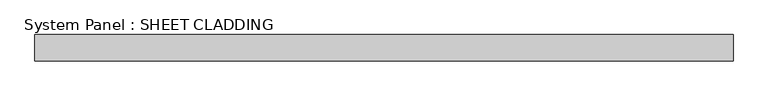
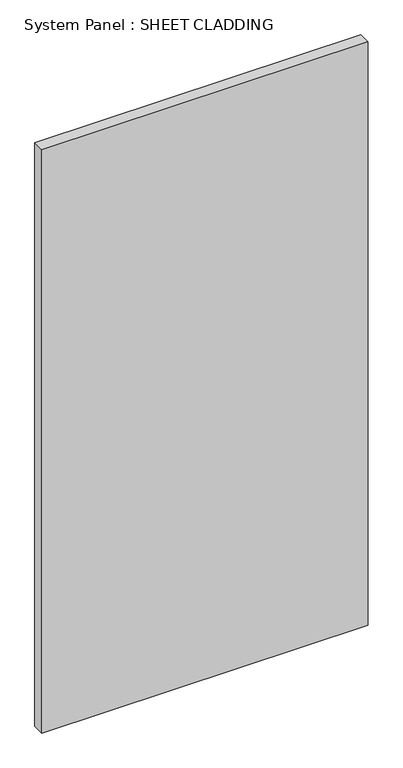
"""IFC4 building model written with IfcOpenShell, lengths in millimetres: plate geometry, System Panel : SHEET CLADDING."""

from ifc_helpers import new_model, si_unit, origin, origin_with_axes, place, context, project, spatial, polyline, outline, extrude, source, transform, mapped, element, save


def system_panel_sheet_cladding_6d0dae46(model_context):
    return source(origin(), model_context, "Body", "SweptSolid", [
        extrude(outline(polyline([(802.0833333, -10.5), (-802.0833333, -10.5), (-802.0833333, 49.5), (802.0833333, 49.5), (802.0833333, -10.5)])), origin_with_axes(), (0.0, 0.0, 1.0), 3031.35),
    ])


if __name__ == "__main__":
    model = new_model("IFC4")
    model_context = context("Model", 3, world=origin())
    ifc_project = project(units=[si_unit("LENGTHUNIT", "METRE", prefix="MILLI")], contexts=[model_context])
    site = spatial("IfcSite", under=ifc_project)
    building = spatial("IfcBuilding", under=site)
    placement = place(None, origin())
    system_panel_sheet_cladding_shape = system_panel_sheet_cladding_6d0dae46(model_context)
    element("IfcPlate", 1, ObjectType="System Panel : SHEET CLADDING", at=placement, inside=building, context=model_context, shape_type="MappedRepresentation", body=[
        mapped(system_panel_sheet_cladding_shape, transform((0.0, 0.0, 0.0), x_axis=(1.0, 0.0, 0.0), y_axis=(0.0, 1.0, 0.0), z_axis=(0.0, 0.0, 1.0))),
    ])
    save(model, "model.ifc")
